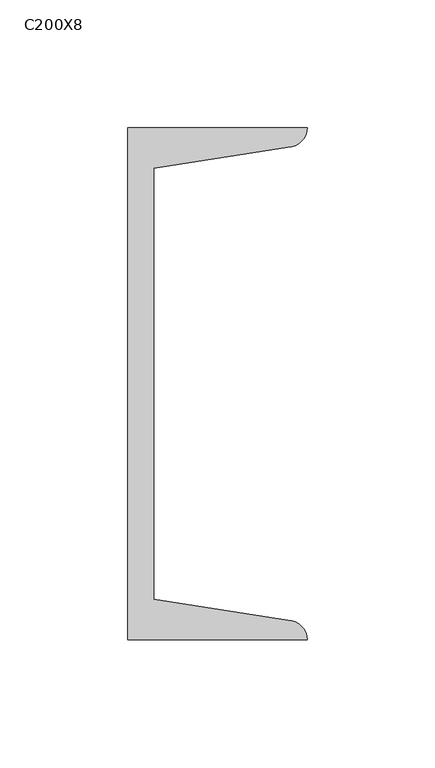
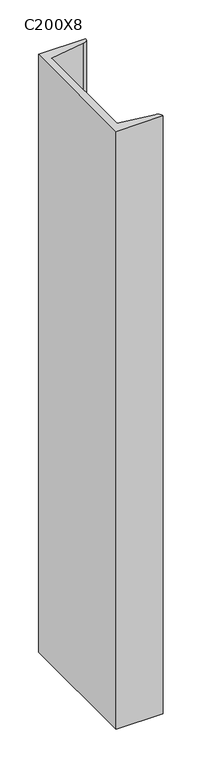
"""IFC4 building model written with IfcOpenShell, lengths in millimetres: column geometry, C200X8."""

import ifcopenshell
import ifcopenshell.guid

model = None  # the IFC model being written
_history = None  # IfcOwnerHistory: only IFC2X3 demands one
_inside = {}  # id of a spatial element -> (the spatial element, [elements in it])
_under = {}  # id of a project, library or spatial element -> (it, [spatial elements below it])
_declared = {}  # id of a project -> (the project, [libraries it declares])
_typed = {}  # id of a type object -> (the type object, [elements of that type])
_made_of = {}  # id of a material, layer set ... -> (it, [elements and type objects made of it])


def new_model(schema):
    """Start an empty IFC model of exactly this schema.

    Asked for "IFC4X3", IfcOpenShell would pick the latest addendum, in which some entities
    have other attributes; the version numbers below select the first issue.
    IFC2X3 requires an IfcOwnerHistory on every rooted entity: one is made here for all.
    """
    global model, _history
    if schema == "IFC4X3":
        model = ifcopenshell.file(schema_version=(4, 3, 0, 0))
    else:
        model = ifcopenshell.file(schema=schema)
    _inside.clear()
    _under.clear()
    _declared.clear()
    _typed.clear()
    _made_of.clear()
    _history = None
    if model.schema == "IFC2X3":
        org = make("IfcOrganization", Name="unknown")
        user = make(
            "IfcPersonAndOrganization",
            ThePerson=make("IfcPerson", FamilyName="unknown"),
            TheOrganization=org,
        )
        app = make(
            "IfcApplication",
            ApplicationDeveloper=org,
            Version="unknown",
            ApplicationFullName="unknown",
            ApplicationIdentifier="unknown",
        )
        _history = make(
            "IfcOwnerHistory",
            OwningUser=user,
            OwningApplication=app,
            ChangeAction="ADDED",
            CreationDate=0,
        )
    return model


def make(cls, **values):
    """One entity of the class cls with the attributes given. An attribute that is None is left unset."""
    return model.create_entity(
        cls, **{name: value for name, value in values.items() if value is not None}
    )


def rooted(cls, **values):
    """An entity with a GlobalId (a new one), such as an element, a storey or a relation."""
    return make(cls, GlobalId=ifcopenshell.guid.new(), OwnerHistory=_history, **values)


def si_unit(unit_type, name, prefix=None):
    """IfcSIUnit, for example si_unit("LENGTHUNIT", "METRE", prefix="MILLI")."""
    return make("IfcSIUnit", UnitType=unit_type, Prefix=prefix, Name=name)


def assignment(units):
    """IfcUnitAssignment: the units of a project."""
    return None if units is None else make("IfcUnitAssignment", Units=units)


def point(xyz):
    """IfcCartesianPoint."""
    return None if xyz is None else make("IfcCartesianPoint", Coordinates=xyz)


def direction(xyz):
    """IfcDirection."""
    return None if xyz is None else make("IfcDirection", DirectionRatios=xyz)


def frame(location, z_axis=None, x_axis=None):
    """IfcAxis2Placement3D, a coordinate frame: its origin and axes. An axis left out is left unset."""
    return make(
        "IfcAxis2Placement3D",
        Location=point(location),
        Axis=direction(z_axis),
        RefDirection=direction(x_axis),
    )


def frame_2d(location, x_axis=None):
    """IfcAxis2Placement2D, a coordinate frame in the plane: its origin and x axis."""
    return make(
        "IfcAxis2Placement2D", Location=point(location), RefDirection=direction(x_axis)
    )


def origin():
    """The frame at (0, 0, 0) with its axes left unset."""
    return frame((0.0, 0.0, 0.0))


def place(relative_to, where):
    """IfcLocalPlacement: puts the frame where relative to a parent placement (None: the world)."""
    return make(
        "IfcLocalPlacement", PlacementRelTo=relative_to, RelativePlacement=where
    )


def context(
    kind, dimensions, precision=None, world=None, true_north=None, identifier=None
):
    """IfcGeometricRepresentationContext, for example the 3D "Model" context."""
    return make(
        "IfcGeometricRepresentationContext",
        ContextIdentifier=identifier,
        ContextType=kind,
        CoordinateSpaceDimension=dimensions,
        Precision=precision,
        WorldCoordinateSystem=world,
        TrueNorth=true_north,
    )


def project(units=None, contexts=None):
    """IfcProject with its units and contexts."""
    return rooted(
        "IfcProject",
        Name="project",
        RepresentationContexts=contexts,
        UnitsInContext=assignment(units),
    )


def spatial(cls, under=None, at=None, **own):
    """A site, building, storey or space (cls), placed at a placement, below another one or the project."""
    s = rooted(cls, ObjectPlacement=at, **own)
    if under is not None:
        _under.setdefault(under.id(), (under, []))[1].append(s)
    return s


def polyline(points):
    """IfcPolyline through the points."""
    return make("IfcPolyline", Points=[point(p) for p in points])


def circle_curve(where, radius):
    """IfcCircle in the frame where."""
    return make("IfcCircle", Position=where, Radius=radius)


def trimmed(basis, trim1, trim2, sense, master):
    """IfcTrimmedCurve: the piece of a basis curve between two trims."""
    return make(
        "IfcTrimmedCurve",
        BasisCurve=basis,
        Trim1=trim1,
        Trim2=trim2,
        SenseAgreement=sense,
        MasterRepresentation=master,
    )


def segment(curve, same_sense, transition):
    """IfcCompositeCurveSegment."""
    return make(
        "IfcCompositeCurveSegment",
        Transition=transition,
        SameSense=same_sense,
        ParentCurve=curve,
    )


def composite_curve(segments, self_intersect=None):
    """IfcCompositeCurve: segments joined end to end."""
    return make("IfcCompositeCurve", Segments=segments, SelfIntersect=self_intersect)


def outline(outer, holes=None, kind="AREA"):
    """IfcArbitraryClosedProfileDef: a profile drawn as a closed curve; with holes, ...WithVoids."""
    if holes is None:
        return make("IfcArbitraryClosedProfileDef", ProfileType=kind, OuterCurve=outer)
    return make(
        "IfcArbitraryProfileDefWithVoids",
        ProfileType=kind,
        OuterCurve=outer,
        InnerCurves=holes,
    )


def extrude(swept, where, along, depth):
    """IfcExtrudedAreaSolid: the profile swept, set in the frame where, extruded along a direction by depth."""
    return make(
        "IfcExtrudedAreaSolid",
        SweptArea=swept,
        Position=where,
        ExtrudedDirection=direction(along),
        Depth=depth,
    )


def shape(context_of_items, identifier, shape_type, items):
    """IfcShapeRepresentation: the items that make up one representation, for example the "Body"."""
    return make(
        "IfcShapeRepresentation",
        ContextOfItems=context_of_items,
        RepresentationIdentifier=identifier,
        RepresentationType=shape_type,
        Items=items,
    )


def source(mapping_origin, context_of_items, identifier, shape_type, items):
    """IfcRepresentationMap: a shape defined once, which mapped items show again and again."""
    return make(
        "IfcRepresentationMap",
        MappingOrigin=mapping_origin,
        MappedRepresentation=shape(context_of_items, identifier, shape_type, items),
    )


def transform(
    local_origin,
    x_axis=None,
    y_axis=None,
    z_axis=None,
    scale=None,
    scale2=None,
    scale3=None,
    uniform=True,
):
    """IfcCartesianTransformationOperator3D, or its non-uniform kind. x_axis, y_axis, z_axis: its Axis1, 2, 3."""
    if uniform:
        return make(
            "IfcCartesianTransformationOperator3D",
            Axis1=direction(x_axis),
            Axis2=direction(y_axis),
            LocalOrigin=point(local_origin),
            Scale=scale,
            Axis3=direction(z_axis),
        )
    return make(
        "IfcCartesianTransformationOperator3DnonUniform",
        Axis1=direction(x_axis),
        Axis2=direction(y_axis),
        LocalOrigin=point(local_origin),
        Scale=scale,
        Axis3=direction(z_axis),
        Scale2=scale2,
        Scale3=scale3,
    )


def mapped(mapping_source, mapping_target):
    """IfcMappedItem: shows the shape of a source again, moved by a transform."""
    return make(
        "IfcMappedItem", MappingSource=mapping_source, MappingTarget=mapping_target
    )


def made_of(thing, what):
    """Note that an element or type object is made of a material, layer set ...; save() writes the relation."""
    if what is not None:
        _made_of.setdefault(what.id(), (what, []))[1].append(thing)
    return thing


def element(
    cls,
    number,
    at=None,
    inside=None,
    cuts=None,
    type_object=None,
    material=None,
    context=None,
    identifier="Body",
    shape_type=None,
    held_by="IfcProductDefinitionShape",
    body=None,
    shapes=None,
    **own,
):
    """One element of the class cls, such as IfcWall. Its Tag is "e" and its number.

    at: its placement. inside: the storey or other place that contains it. cuts: it is an
    opening in that element (IfcRelVoidsElement). A single representation is given by context,
    identifier, shape_type and body (its items); several are given by shapes. held_by: the class
    of the entity that holds the representations. save() writes the other relations.
    """
    e = rooted(cls, Tag="e%d" % number, ObjectPlacement=at, **own)
    if body is not None:
        shapes = [shape(context, identifier, shape_type, body)]
    if shapes is not None:
        e.Representation = make(held_by, Representations=shapes)
    if inside is not None:
        _inside.setdefault(inside.id(), (inside, []))[1].append(e)
    if cuts is not None:
        rooted(
            "IfcRelVoidsElement", RelatingBuildingElement=cuts, RelatedOpeningElement=e
        )
    if type_object is not None:
        _typed.setdefault(type_object.id(), (type_object, []))[1].append(e)
    return made_of(e, material)


def aggregate(whole, parts):
    """IfcRelAggregates: a whole, such as a stair, and the parts it consists of."""
    return rooted("IfcRelAggregates", RelatingObject=whole, RelatedObjects=parts)


def save(model, path):
    """Write the relations noted so far, then the file.

    IfcRelAggregates (storeys below a building ...), IfcRelContainedInSpatialStructure (elements
    in a storey), IfcRelDefinesByType, IfcRelAssociatesMaterial and IfcRelDeclares: one each for
    every whole, place, type object, material and project.
    """
    for whole, parts in _under.values():
        aggregate(whole, parts)
    for where, things in _inside.values():
        rooted(
            "IfcRelContainedInSpatialStructure",
            RelatedElements=things,
            RelatingStructure=where,
        )
    for kind, things in _typed.values():
        rooted("IfcRelDefinesByType", RelatedObjects=things, RelatingType=kind)
    for what, things in _made_of.values():
        rooted("IfcRelAssociatesMaterial", RelatedObjects=things, RelatingMaterial=what)
    for by, libraries in _declared.values():
        rooted("IfcRelDeclares", RelatingContext=by, RelatedDefinitions=libraries)
    model.write(path)


def c200x8_9f45f7f6(model_context):
    return source(origin(), model_context, "Body", "SweptSolid", [
        extrude(outline(composite_curve([segment(polyline([(5.0, 100.0), (75.0, 100.0)]), True, "CONTINUOUS"), segment(trimmed(circle_curve(frame_2d((67.5, 100.0)), 7.5), [point((75.0, 100.0))], [point((67.5, 92.5))], False, "CARTESIAN"), True, "CONTINUOUS"), segment(polyline([(67.5, 92.5), (15.0, 84.1848169), (15.0, -84.1848169), (67.5, -92.5)]), True, "CONTINUOUS"), segment(trimmed(circle_curve(frame_2d((67.5, -100.0)), 7.5), [point((67.5, -92.5))], [point((75.0, -100.0))], False, "CARTESIAN"), True, "CONTINUOUS"), segment(polyline([(75.0, -100.0), (5.0, -100.0), (5.0, 100.0)]), True, "CONTINUOUS")], self_intersect=False)), frame((0.0, 0.0, 9380.0), z_axis=(0.0, 0.0, 1.0), x_axis=(1.0, 0.0, 0.0)), (0.0, 0.0, 1.0), 940.0),
    ])


if __name__ == "__main__":
    model = new_model("IFC4")
    model_context = context("Model", 3, world=origin())
    ifc_project = project(units=[si_unit("LENGTHUNIT", "METRE", prefix="MILLI")], contexts=[model_context])
    site = spatial("IfcSite", under=ifc_project)
    building = spatial("IfcBuilding", under=site)
    placement = place(None, origin())
    c200x8_shape = c200x8_9f45f7f6(model_context)
    element("IfcColumn", 1, ObjectType="C200X8", at=placement, inside=building, context=model_context, shape_type="MappedRepresentation", body=[
        mapped(c200x8_shape, transform((0.0, 0.0, 0.0), x_axis=(1.0, 0.0, 0.0), y_axis=(0.0, 1.0, 0.0), z_axis=(0.0, 0.0, 1.0))),
    ])
    save(model, "model.ifc")
